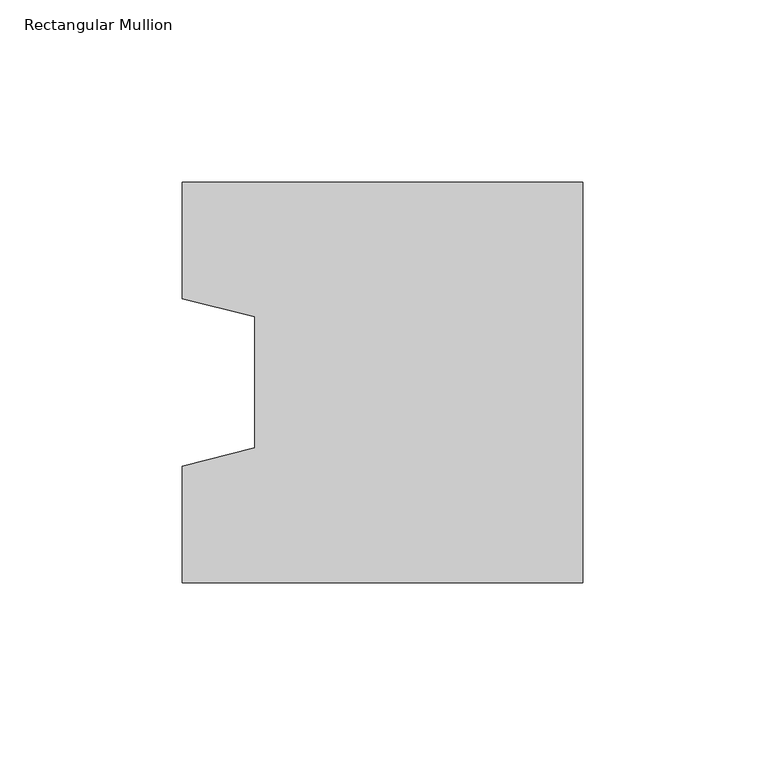
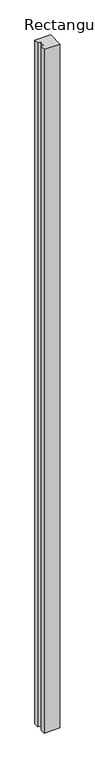
"""IFC4 building model written with IfcOpenShell, lengths in millimetres: column geometry, Rectangular Mullion."""

from ifc_helpers import new_model, si_unit, frame, origin, place, context, project, spatial, polyline, outline, extrude, source, transform, mapped, element, save


def rectangular_mullion_5e1d8c6f(model_context):
    return source(origin(), model_context, "Body", "SweptSolid", [
        extrude(outline(polyline([(-110.0, -55.0), (-110.0, -23.0), (-90.0, -18.0), (-90.0, 18.0), (-110.0, 23.0), (-110.0, 55.0), (0.0, 55.0), (0.0, -55.0), (-110.0, -55.0)])), frame((0.0, 0.0, -5000.0), z_axis=(0.0, 0.0, 1.0), x_axis=(1.0, 0.0, 0.0)), (0.0, 0.0, 1.0), 5000.0),
    ])


if __name__ == "__main__":
    model = new_model("IFC4")
    model_context = context("Model", 3, world=origin())
    ifc_project = project(units=[si_unit("LENGTHUNIT", "METRE", prefix="MILLI")], contexts=[model_context])
    site = spatial("IfcSite", under=ifc_project)
    building = spatial("IfcBuilding", under=site)
    placement = place(None, origin())
    rectangular_mullion_shape = rectangular_mullion_5e1d8c6f(model_context)
    element("IfcColumn", 1, ObjectType="Rectangular Mullion", at=placement, inside=building, context=model_context, shape_type="MappedRepresentation", body=[
        mapped(rectangular_mullion_shape, transform((0.0, 0.0, 0.0), x_axis=(1.0, 0.0, 0.0), y_axis=(0.0, 1.0, 0.0), z_axis=(0.0, 0.0, 1.0))),
    ])
    save(model, "model.ifc")
